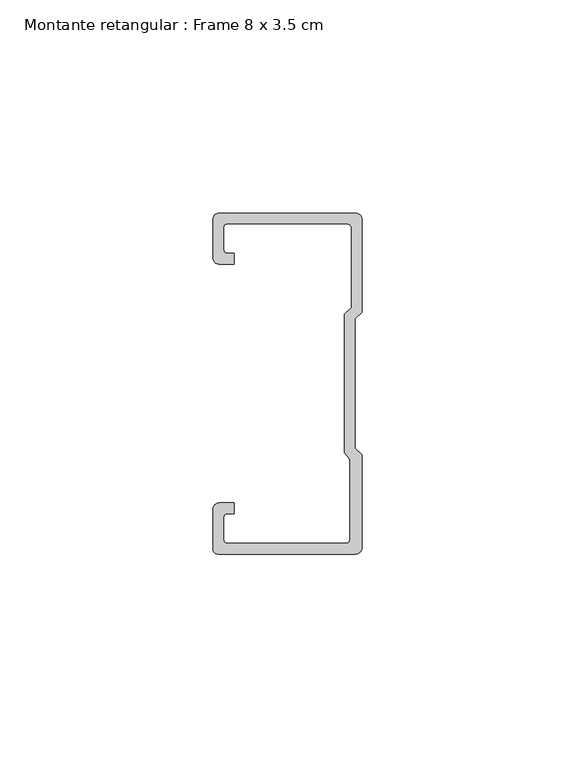
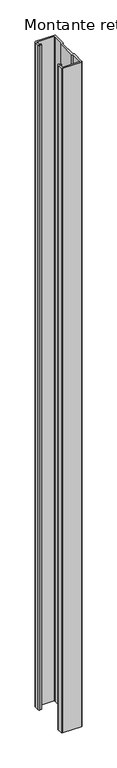
"""IFC4 building model written with IfcOpenShell, lengths in millimetres: member geometry, Montante retangular : Frame 8 x 3.5 cm."""

from ifc_helpers import new_model, si_unit, point, frame, frame_2d, origin, place, context, project, spatial, polyline, circle_curve, trimmed, segment, composite_curve, outline, extrude, source, transform, mapped, element, save


def montante_retangular_frame_8_x_3_5_cm_74e6b18e(model_context):
    return source(origin(), model_context, "Body", "SweptSolid", [
        extrude(outline(composite_curve([segment(polyline([(-17.5, 29.5276505), (-17.5, 38.5)]), True, "CONTINUOUS"), segment(trimmed(circle_curve(frame_2d((-16.0, 38.5)), 1.5), [point((-17.5, 38.5))], [point((-16.0, 40.0))], False, "CARTESIAN"), True, "CONTINUOUS"), segment(polyline([(-16.0, 40.0), (16.0, 40.0)]), True, "CONTINUOUS"), segment(trimmed(circle_curve(frame_2d((16.0, 38.5)), 1.5), [point((16.0, 40.0))], [point((17.5, 38.5))], False, "CARTESIAN"), True, "CONTINUOUS"), segment(polyline([(17.5, 38.5), (17.5, 16.7622662), (15.9122869, 15.174553), (15.9122869, -15.174553), (17.5, -16.7622662), (17.5, -38.5)]), True, "CONTINUOUS"), segment(trimmed(circle_curve(frame_2d((16.0, -38.5)), 1.5), [point((17.5, -38.5))], [point((16.0, -40.0))], False, "CARTESIAN"), True, "CONTINUOUS"), segment(polyline([(16.0, -40.0), (-16.3171833, -40.0)]), True, "CONTINUOUS"), segment(trimmed(circle_curve(frame_2d((-16.3171833, -38.8171833)), 1.1828167), [point((-16.3171833, -40.0))], [point((-17.5, -38.8171833))], False, "CARTESIAN"), True, "CONTINUOUS"), segment(polyline([(-17.5, -38.8171833), (-17.5, -29.5276505)]), True, "CONTINUOUS"), segment(trimmed(circle_curve(frame_2d((-16.0, -29.5276505)), 1.5), [point((-17.5, -29.5276505))], [point((-16.0, -28.0276505))], False, "CARTESIAN"), True, "CONTINUOUS"), segment(polyline([(-16.0, -28.0276505), (-12.5162256, -28.0276505), (-12.5162256, -30.5276505), (-14.0, -30.5276505)]), True, "CONTINUOUS"), segment(trimmed(circle_curve(frame_2d((-14.0, -31.5276505)), 1.0), [point((-14.0, -30.5276505))], [point((-15.0, -31.5276505))], True, "CARTESIAN"), True, "CONTINUOUS"), segment(polyline([(-15.0, -31.5276505), (-15.0, -36.5)]), True, "CONTINUOUS"), segment(trimmed(circle_curve(frame_2d((-14.0, -36.5)), 1.0), [point((-15.0, -36.5))], [point((-14.0, -37.5))], True, "CARTESIAN"), True, "CONTINUOUS"), segment(polyline([(-14.0, -37.5), (13.692786, -37.5)]), True, "CONTINUOUS"), segment(trimmed(circle_curve(frame_2d((13.692786, -36.5)), 1.0), [point((13.692786, -37.5))], [point((14.692786, -36.5))], True, "CARTESIAN"), True, "CONTINUOUS"), segment(polyline([(14.692786, -36.5), (14.692786, -17.7671948), (13.4122869, -16.1794816), (13.4122869, 16.2100869), (15.0, 17.7978001), (15.0, 36.5)]), True, "CONTINUOUS"), segment(trimmed(circle_curve(frame_2d((14.0, 36.5)), 1.0), [point((15.0, 36.5))], [point((14.0, 37.5))], True, "CARTESIAN"), True, "CONTINUOUS"), segment(polyline([(14.0, 37.5), (-14.0, 37.5)]), True, "CONTINUOUS"), segment(trimmed(circle_curve(frame_2d((-14.0, 36.5)), 1.0), [point((-14.0, 37.5))], [point((-15.0, 36.5))], True, "CARTESIAN"), True, "CONTINUOUS"), segment(polyline([(-15.0, 36.5), (-15.0, 31.5276505)]), True, "CONTINUOUS"), segment(trimmed(circle_curve(frame_2d((-14.0, 31.5276505)), 1.0), [point((-15.0, 31.5276505))], [point((-14.0, 30.5276505))], True, "CARTESIAN"), True, "CONTINUOUS"), segment(polyline([(-14.0, 30.5276505), (-12.5162256, 30.5276505), (-12.5162256, 28.0276505), (-16.0, 28.0276505)]), True, "CONTINUOUS"), segment(trimmed(circle_curve(frame_2d((-16.0, 29.5276505)), 1.5), [point((-16.0, 28.0276505))], [point((-17.5, 29.5276505))], False, "CARTESIAN"), True, "CONTINUOUS")], self_intersect=False)), frame((0.0, 0.0, -1200.0), z_axis=(0.0, 0.0, 1.0), x_axis=(1.0, 0.0, 0.0)), (0.0, 0.0, 1.0), 1200.0),
    ])


if __name__ == "__main__":
    model = new_model("IFC4")
    model_context = context("Model", 3, world=origin())
    ifc_project = project(units=[si_unit("LENGTHUNIT", "METRE", prefix="MILLI")], contexts=[model_context])
    site = spatial("IfcSite", under=ifc_project)
    building = spatial("IfcBuilding", under=site)
    placement = place(None, origin())
    montante_retangular_frame_8_x_3_5_cm_shape = montante_retangular_frame_8_x_3_5_cm_74e6b18e(model_context)
    element("IfcMember", 1, ObjectType="Montante retangular : Frame 8 x 3.5 cm", at=placement, inside=building, context=model_context, shape_type="MappedRepresentation", body=[
        mapped(montante_retangular_frame_8_x_3_5_cm_shape, transform((0.0, 0.0, 0.0), x_axis=(1.0, 0.0, 0.0), y_axis=(0.0, 1.0, 0.0), z_axis=(0.0, 0.0, 1.0))),
    ])
    save(model, "model.ifc")
